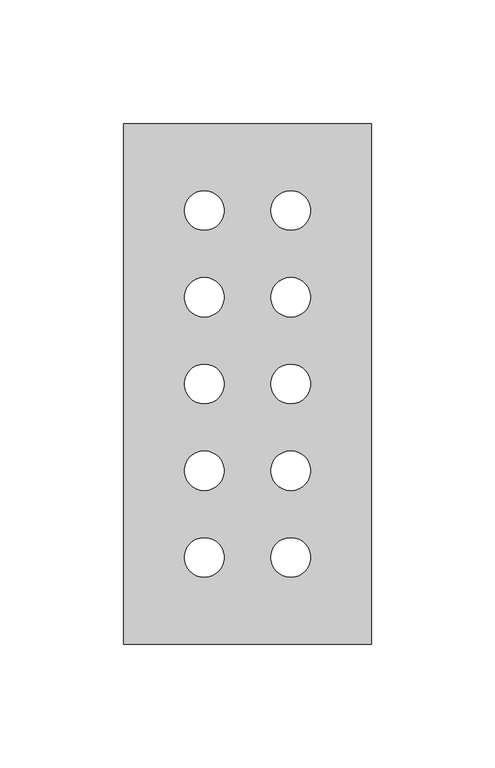
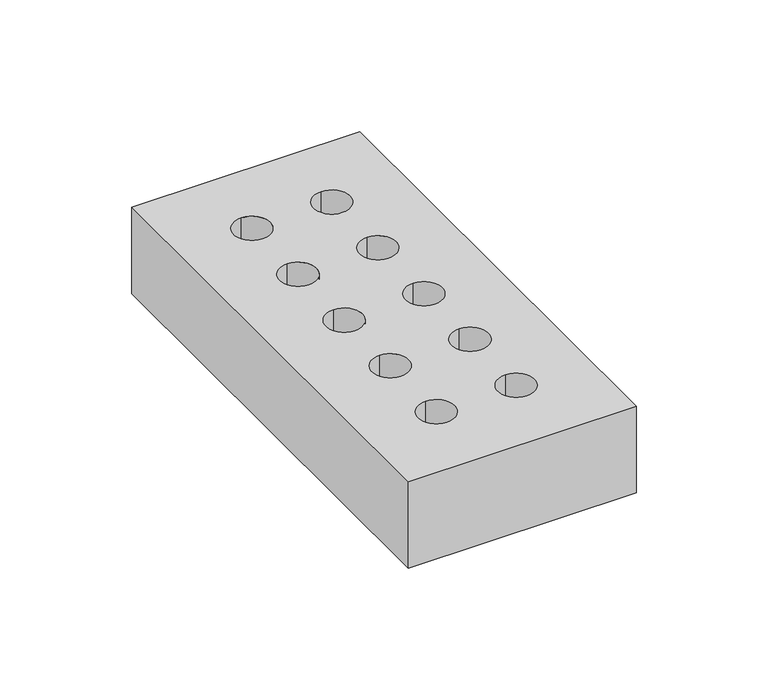
"""IFC4 building model written with IfcOpenShell, lengths in millimetres: proxy geometry."""

from ifc_helpers import new_model, si_unit, point, frame_2d, origin, origin_with_axes, place, context, project, spatial, polyline, circle_curve, trimmed, segment, composite_curve, outline, extrude, source, transform, mapped, element, save


def generic_models_094ae782(model_context):
    return source(origin(), model_context, "Body", "SweptSolid", [
        extrude(outline(polyline([(0.0, 210.0), (100.0, 210.0), (100.0, 0.0), (0.0, 0.0), (0.0, 210.0)]), holes=[composite_curve([segment(trimmed(circle_curve(frame_2d((67.5, 35.0)), 8.0), [point((67.5, 43.0))], [point((67.5, 27.0))], True, "CARTESIAN"), True, "CONTINUOUS"), segment(trimmed(circle_curve(frame_2d((67.5, 35.0)), 8.0), [point((67.5, 27.0))], [point((67.5, 43.0))], True, "CARTESIAN"), True, "CONTINUOUS")], self_intersect=False), composite_curve([segment(trimmed(circle_curve(frame_2d((32.5, 35.0)), 8.0), [point((32.5, 43.0))], [point((32.5, 27.0))], True, "CARTESIAN"), True, "CONTINUOUS"), segment(trimmed(circle_curve(frame_2d((32.5, 35.0)), 8.0), [point((32.5, 27.0))], [point((32.5, 43.0))], True, "CARTESIAN"), True, "CONTINUOUS")], self_intersect=False), composite_curve([segment(trimmed(circle_curve(frame_2d((32.5, 105.0)), 8.0), [point((32.5, 113.0))], [point((32.5, 97.0))], True, "CARTESIAN"), True, "CONTINUOUS"), segment(trimmed(circle_curve(frame_2d((32.5, 105.0)), 8.0), [point((32.5, 97.0))], [point((32.5, 113.0))], True, "CARTESIAN"), True, "CONTINUOUS")], self_intersect=False), composite_curve([segment(trimmed(circle_curve(frame_2d((32.5, 140.0)), 8.0), [point((32.5, 148.0))], [point((32.5, 132.0))], True, "CARTESIAN"), True, "CONTINUOUS"), segment(trimmed(circle_curve(frame_2d((32.5, 140.0)), 8.0), [point((32.5, 132.0))], [point((32.5, 148.0))], True, "CARTESIAN"), True, "CONTINUOUS")], self_intersect=False), composite_curve([segment(trimmed(circle_curve(frame_2d((32.5, 175.0)), 8.0), [point((32.5, 183.0))], [point((32.5, 167.0))], True, "CARTESIAN"), True, "CONTINUOUS"), segment(trimmed(circle_curve(frame_2d((32.5, 175.0)), 8.0), [point((32.5, 167.0))], [point((32.5, 183.0))], True, "CARTESIAN"), True, "CONTINUOUS")], self_intersect=False), composite_curve([segment(trimmed(circle_curve(frame_2d((32.5, 70.0)), 8.0), [point((32.5, 78.0))], [point((32.5, 62.0))], True, "CARTESIAN"), True, "CONTINUOUS"), segment(trimmed(circle_curve(frame_2d((32.5, 70.0)), 8.0), [point((32.5, 62.0))], [point((32.5, 78.0))], True, "CARTESIAN"), True, "CONTINUOUS")], self_intersect=False), composite_curve([segment(trimmed(circle_curve(frame_2d((67.5, 175.0)), 8.0), [point((67.5, 183.0))], [point((67.5, 167.0))], True, "CARTESIAN"), True, "CONTINUOUS"), segment(trimmed(circle_curve(frame_2d((67.5, 175.0)), 8.0), [point((67.5, 167.0))], [point((67.5, 183.0))], True, "CARTESIAN"), True, "CONTINUOUS")], self_intersect=False), composite_curve([segment(trimmed(circle_curve(frame_2d((67.5, 140.0)), 8.0), [point((67.5, 148.0))], [point((67.5, 132.0))], True, "CARTESIAN"), True, "CONTINUOUS"), segment(trimmed(circle_curve(frame_2d((67.5, 140.0)), 8.0), [point((67.5, 132.0))], [point((67.5, 148.0))], True, "CARTESIAN"), True, "CONTINUOUS")], self_intersect=False), composite_curve([segment(trimmed(circle_curve(frame_2d((67.5, 105.0)), 8.0), [point((67.5, 113.0))], [point((67.5, 97.0))], True, "CARTESIAN"), True, "CONTINUOUS"), segment(trimmed(circle_curve(frame_2d((67.5, 105.0)), 8.0), [point((67.5, 97.0))], [point((67.5, 113.0))], True, "CARTESIAN"), True, "CONTINUOUS")], self_intersect=False), composite_curve([segment(trimmed(circle_curve(frame_2d((67.5, 70.0)), 8.0), [point((67.5, 78.0))], [point((67.5, 62.0))], True, "CARTESIAN"), True, "CONTINUOUS"), segment(trimmed(circle_curve(frame_2d((67.5, 70.0)), 8.0), [point((67.5, 62.0))], [point((67.5, 78.0))], True, "CARTESIAN"), True, "CONTINUOUS")], self_intersect=False)]), origin_with_axes(), (0.0, 0.0, 1.0), 40.0),
    ])


if __name__ == "__main__":
    model = new_model("IFC4")
    model_context = context("Model", 3, world=origin())
    ifc_project = project(units=[si_unit("LENGTHUNIT", "METRE", prefix="MILLI")], contexts=[model_context])
    site = spatial("IfcSite", under=ifc_project)
    building = spatial("IfcBuilding", under=site)
    placement = place(None, origin())
    generic_models_shape = generic_models_094ae782(model_context)
    element("IfcBuildingElementProxy", 1, Name="Generic Models", at=placement, inside=building, context=model_context, shape_type="MappedRepresentation", body=[
        mapped(generic_models_shape, transform((0.0, 0.0, 0.0), x_axis=(1.0, 0.0, 0.0), y_axis=(0.0, 1.0, 0.0), z_axis=(0.0, 0.0, 1.0))),
    ])
    save(model, "model.ifc")
